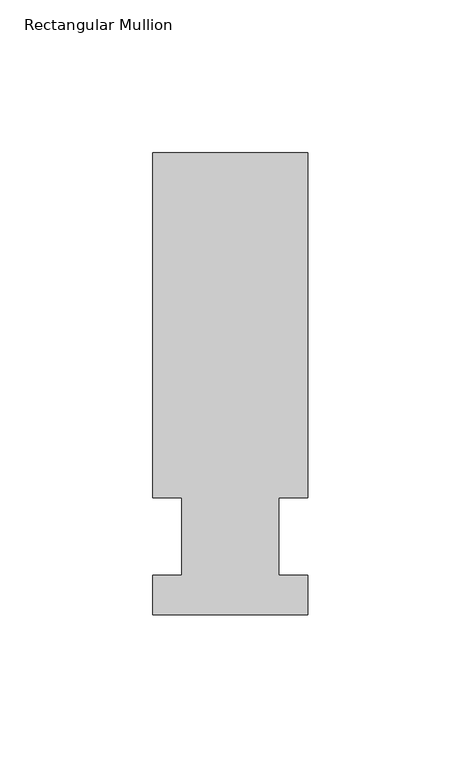
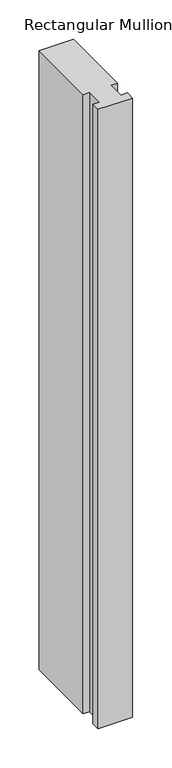
"""IFC4 building model written with IfcOpenShell, lengths in millimetres: member geometry, Rectangular Mullion."""

from ifc_helpers import new_model, si_unit, frame, origin, place, context, project, spatial, polyline, outline, extrude, source, transform, mapped, element, save


def rectangular_mullion_372b9314(model_context):
    return source(origin(), model_context, "Body", "SweptSolid", [
        extrude(outline(polyline([(-25.4, -25.58415), (-25.4, -12.7), (-15.875, -12.7), (-15.875, 12.7), (-25.4, 12.7), (-25.4, 125.59665), (25.4, 125.59665), (25.4, 12.7), (15.875, 12.7), (15.875, -12.7), (25.4, -12.7), (25.4, -25.58415), (-25.4, -25.58415)])), frame((0.0, 0.0, -965.2), z_axis=(0.0, 0.0, 1.0), x_axis=(1.0, 0.0, 0.0)), (0.0, 0.0, 1.0), 965.2),
    ])


if __name__ == "__main__":
    model = new_model("IFC4")
    model_context = context("Model", 3, world=origin())
    ifc_project = project(units=[si_unit("LENGTHUNIT", "METRE", prefix="MILLI")], contexts=[model_context])
    site = spatial("IfcSite", under=ifc_project)
    building = spatial("IfcBuilding", under=site)
    placement = place(None, origin())
    rectangular_mullion_shape = rectangular_mullion_372b9314(model_context)
    element("IfcMember", 1, ObjectType="Rectangular Mullion", at=placement, inside=building, context=model_context, shape_type="MappedRepresentation", body=[
        mapped(rectangular_mullion_shape, transform((0.0, 0.0, 0.0), x_axis=(1.0, 0.0, 0.0), y_axis=(0.0, 1.0, 0.0), z_axis=(0.0, 0.0, 1.0))),
    ])
    save(model, "model.ifc")
